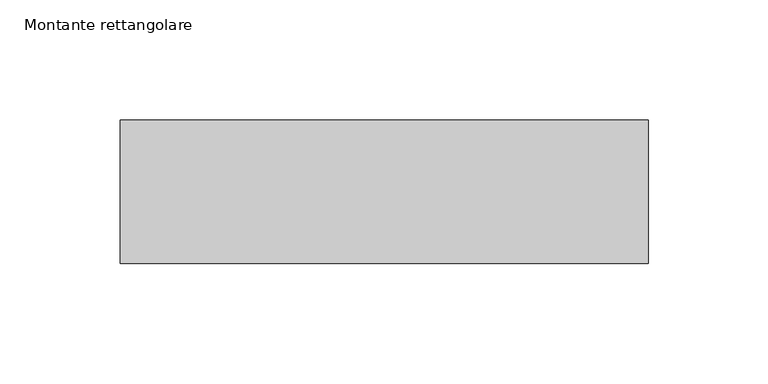
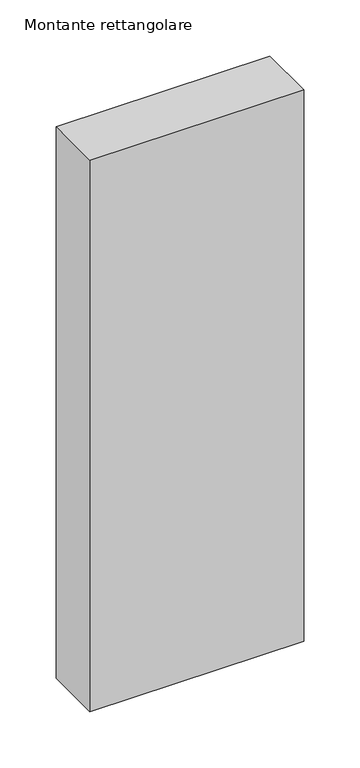
"""IFC4 building model written with IfcOpenShell, lengths in millimetres: member geometry, Montante rettangolare."""

import ifcopenshell
import ifcopenshell.guid

model = None  # the IFC model being written
_history = None  # IfcOwnerHistory: only IFC2X3 demands one
_inside = {}  # id of a spatial element -> (the spatial element, [elements in it])
_under = {}  # id of a project, library or spatial element -> (it, [spatial elements below it])
_declared = {}  # id of a project -> (the project, [libraries it declares])
_typed = {}  # id of a type object -> (the type object, [elements of that type])
_made_of = {}  # id of a material, layer set ... -> (it, [elements and type objects made of it])


def new_model(schema):
    """Start an empty IFC model of exactly this schema.

    Asked for "IFC4X3", IfcOpenShell would pick the latest addendum, in which some entities
    have other attributes; the version numbers below select the first issue.
    IFC2X3 requires an IfcOwnerHistory on every rooted entity: one is made here for all.
    """
    global model, _history
    if schema == "IFC4X3":
        model = ifcopenshell.file(schema_version=(4, 3, 0, 0))
    else:
        model = ifcopenshell.file(schema=schema)
    _inside.clear()
    _under.clear()
    _declared.clear()
    _typed.clear()
    _made_of.clear()
    _history = None
    if model.schema == "IFC2X3":
        org = make("IfcOrganization", Name="unknown")
        user = make(
            "IfcPersonAndOrganization",
            ThePerson=make("IfcPerson", FamilyName="unknown"),
            TheOrganization=org,
        )
        app = make(
            "IfcApplication",
            ApplicationDeveloper=org,
            Version="unknown",
            ApplicationFullName="unknown",
            ApplicationIdentifier="unknown",
        )
        _history = make(
            "IfcOwnerHistory",
            OwningUser=user,
            OwningApplication=app,
            ChangeAction="ADDED",
            CreationDate=0,
        )
    return model


def make(cls, **values):
    """One entity of the class cls with the attributes given. An attribute that is None is left unset."""
    return model.create_entity(
        cls, **{name: value for name, value in values.items() if value is not None}
    )


def rooted(cls, **values):
    """An entity with a GlobalId (a new one), such as an element, a storey or a relation."""
    return make(cls, GlobalId=ifcopenshell.guid.new(), OwnerHistory=_history, **values)


def si_unit(unit_type, name, prefix=None):
    """IfcSIUnit, for example si_unit("LENGTHUNIT", "METRE", prefix="MILLI")."""
    return make("IfcSIUnit", UnitType=unit_type, Prefix=prefix, Name=name)


def assignment(units):
    """IfcUnitAssignment: the units of a project."""
    return None if units is None else make("IfcUnitAssignment", Units=units)


def point(xyz):
    """IfcCartesianPoint."""
    return None if xyz is None else make("IfcCartesianPoint", Coordinates=xyz)


def direction(xyz):
    """IfcDirection."""
    return None if xyz is None else make("IfcDirection", DirectionRatios=xyz)


def frame(location, z_axis=None, x_axis=None):
    """IfcAxis2Placement3D, a coordinate frame: its origin and axes. An axis left out is left unset."""
    return make(
        "IfcAxis2Placement3D",
        Location=point(location),
        Axis=direction(z_axis),
        RefDirection=direction(x_axis),
    )


def origin():
    """The frame at (0, 0, 0) with its axes left unset."""
    return frame((0.0, 0.0, 0.0))


def place(relative_to, where):
    """IfcLocalPlacement: puts the frame where relative to a parent placement (None: the world)."""
    return make(
        "IfcLocalPlacement", PlacementRelTo=relative_to, RelativePlacement=where
    )


def context(
    kind, dimensions, precision=None, world=None, true_north=None, identifier=None
):
    """IfcGeometricRepresentationContext, for example the 3D "Model" context."""
    return make(
        "IfcGeometricRepresentationContext",
        ContextIdentifier=identifier,
        ContextType=kind,
        CoordinateSpaceDimension=dimensions,
        Precision=precision,
        WorldCoordinateSystem=world,
        TrueNorth=true_north,
    )


def project(units=None, contexts=None):
    """IfcProject with its units and contexts."""
    return rooted(
        "IfcProject",
        Name="project",
        RepresentationContexts=contexts,
        UnitsInContext=assignment(units),
    )


def spatial(cls, under=None, at=None, **own):
    """A site, building, storey or space (cls), placed at a placement, below another one or the project."""
    s = rooted(cls, ObjectPlacement=at, **own)
    if under is not None:
        _under.setdefault(under.id(), (under, []))[1].append(s)
    return s


def polyline(points):
    """IfcPolyline through the points."""
    return make("IfcPolyline", Points=[point(p) for p in points])


def outline(outer, holes=None, kind="AREA"):
    """IfcArbitraryClosedProfileDef: a profile drawn as a closed curve; with holes, ...WithVoids."""
    if holes is None:
        return make("IfcArbitraryClosedProfileDef", ProfileType=kind, OuterCurve=outer)
    return make(
        "IfcArbitraryProfileDefWithVoids",
        ProfileType=kind,
        OuterCurve=outer,
        InnerCurves=holes,
    )


def extrude(swept, where, along, depth):
    """IfcExtrudedAreaSolid: the profile swept, set in the frame where, extruded along a direction by depth."""
    return make(
        "IfcExtrudedAreaSolid",
        SweptArea=swept,
        Position=where,
        ExtrudedDirection=direction(along),
        Depth=depth,
    )


def shape(context_of_items, identifier, shape_type, items):
    """IfcShapeRepresentation: the items that make up one representation, for example the "Body"."""
    return make(
        "IfcShapeRepresentation",
        ContextOfItems=context_of_items,
        RepresentationIdentifier=identifier,
        RepresentationType=shape_type,
        Items=items,
    )


def source(mapping_origin, context_of_items, identifier, shape_type, items):
    """IfcRepresentationMap: a shape defined once, which mapped items show again and again."""
    return make(
        "IfcRepresentationMap",
        MappingOrigin=mapping_origin,
        MappedRepresentation=shape(context_of_items, identifier, shape_type, items),
    )


def transform(
    local_origin,
    x_axis=None,
    y_axis=None,
    z_axis=None,
    scale=None,
    scale2=None,
    scale3=None,
    uniform=True,
):
    """IfcCartesianTransformationOperator3D, or its non-uniform kind. x_axis, y_axis, z_axis: its Axis1, 2, 3."""
    if uniform:
        return make(
            "IfcCartesianTransformationOperator3D",
            Axis1=direction(x_axis),
            Axis2=direction(y_axis),
            LocalOrigin=point(local_origin),
            Scale=scale,
            Axis3=direction(z_axis),
        )
    return make(
        "IfcCartesianTransformationOperator3DnonUniform",
        Axis1=direction(x_axis),
        Axis2=direction(y_axis),
        LocalOrigin=point(local_origin),
        Scale=scale,
        Axis3=direction(z_axis),
        Scale2=scale2,
        Scale3=scale3,
    )


def mapped(mapping_source, mapping_target):
    """IfcMappedItem: shows the shape of a source again, moved by a transform."""
    return make(
        "IfcMappedItem", MappingSource=mapping_source, MappingTarget=mapping_target
    )


def made_of(thing, what):
    """Note that an element or type object is made of a material, layer set ...; save() writes the relation."""
    if what is not None:
        _made_of.setdefault(what.id(), (what, []))[1].append(thing)
    return thing


def element(
    cls,
    number,
    at=None,
    inside=None,
    cuts=None,
    type_object=None,
    material=None,
    context=None,
    identifier="Body",
    shape_type=None,
    held_by="IfcProductDefinitionShape",
    body=None,
    shapes=None,
    **own,
):
    """One element of the class cls, such as IfcWall. Its Tag is "e" and its number.

    at: its placement. inside: the storey or other place that contains it. cuts: it is an
    opening in that element (IfcRelVoidsElement). A single representation is given by context,
    identifier, shape_type and body (its items); several are given by shapes. held_by: the class
    of the entity that holds the representations. save() writes the other relations.
    """
    e = rooted(cls, Tag="e%d" % number, ObjectPlacement=at, **own)
    if body is not None:
        shapes = [shape(context, identifier, shape_type, body)]
    if shapes is not None:
        e.Representation = make(held_by, Representations=shapes)
    if inside is not None:
        _inside.setdefault(inside.id(), (inside, []))[1].append(e)
    if cuts is not None:
        rooted(
            "IfcRelVoidsElement", RelatingBuildingElement=cuts, RelatedOpeningElement=e
        )
    if type_object is not None:
        _typed.setdefault(type_object.id(), (type_object, []))[1].append(e)
    return made_of(e, material)


def aggregate(whole, parts):
    """IfcRelAggregates: a whole, such as a stair, and the parts it consists of."""
    return rooted("IfcRelAggregates", RelatingObject=whole, RelatedObjects=parts)


def save(model, path):
    """Write the relations noted so far, then the file.

    IfcRelAggregates (storeys below a building ...), IfcRelContainedInSpatialStructure (elements
    in a storey), IfcRelDefinesByType, IfcRelAssociatesMaterial and IfcRelDeclares: one each for
    every whole, place, type object, material and project.
    """
    for whole, parts in _under.values():
        aggregate(whole, parts)
    for where, things in _inside.values():
        rooted(
            "IfcRelContainedInSpatialStructure",
            RelatedElements=things,
            RelatingStructure=where,
        )
    for kind, things in _typed.values():
        rooted("IfcRelDefinesByType", RelatedObjects=things, RelatingType=kind)
    for what, things in _made_of.values():
        rooted("IfcRelAssociatesMaterial", RelatedObjects=things, RelatingMaterial=what)
    for by, libraries in _declared.values():
        rooted("IfcRelDeclares", RelatingContext=by, RelatedDefinitions=libraries)
    model.write(path)


def montante_rettangolare_9d683469(model_context):
    return source(origin(), model_context, "Body", "SweptSolid", [
        extrude(outline(polyline([(0.0, 30.0), (0.0, -30.0), (-220.0, -30.0), (-220.0, 30.0), (0.0, 30.0)])), frame((0.0, 0.0, -600.0), z_axis=(0.0, 0.0, 1.0), x_axis=(1.0, 0.0, 0.0)), (0.0, 0.0, 1.0), 600.0),
    ])


if __name__ == "__main__":
    model = new_model("IFC4")
    model_context = context("Model", 3, world=origin())
    ifc_project = project(units=[si_unit("LENGTHUNIT", "METRE", prefix="MILLI")], contexts=[model_context])
    site = spatial("IfcSite", under=ifc_project)
    building = spatial("IfcBuilding", under=site)
    placement = place(None, origin())
    montante_rettangolare_shape = montante_rettangolare_9d683469(model_context)
    element("IfcMember", 1, ObjectType="Montante rettangolare", at=placement, inside=building, context=model_context, shape_type="MappedRepresentation", body=[
        mapped(montante_rettangolare_shape, transform((0.0, 0.0, 0.0), x_axis=(1.0, 0.0, 0.0), y_axis=(0.0, 1.0, 0.0), z_axis=(0.0, 0.0, 1.0))),
    ])
    save(model, "model.ifc")
